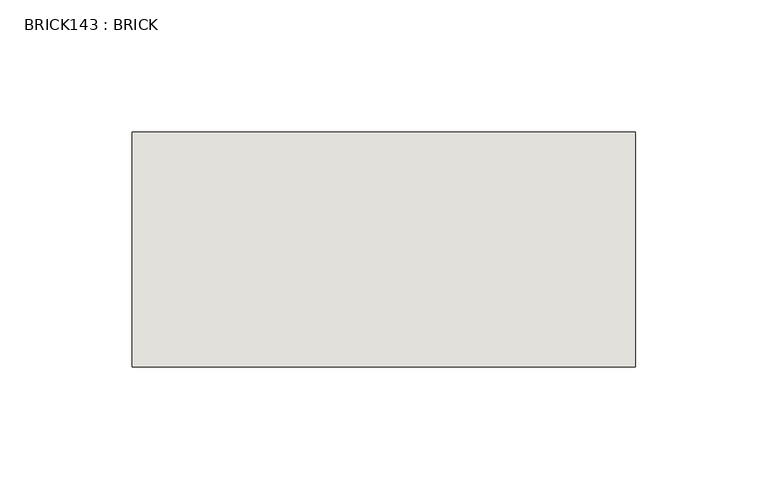
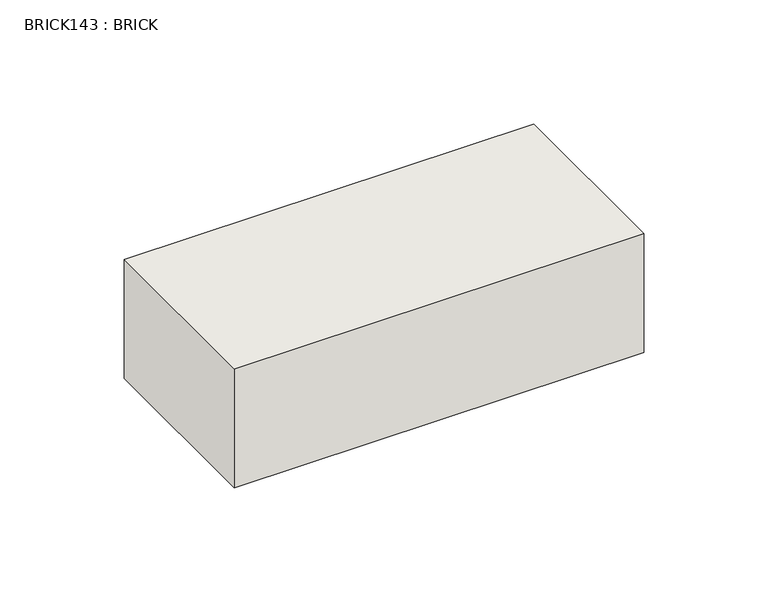
"""IFC4 building model written with IfcOpenShell, lengths in millimetres: wall geometry, BRICK143 : BRICK."""

import ifcopenshell
import ifcopenshell.guid

model = None  # the IFC model being written
_history = None  # IfcOwnerHistory: only IFC2X3 demands one
_inside = {}  # id of a spatial element -> (the spatial element, [elements in it])
_under = {}  # id of a project, library or spatial element -> (it, [spatial elements below it])
_declared = {}  # id of a project -> (the project, [libraries it declares])
_typed = {}  # id of a type object -> (the type object, [elements of that type])
_made_of = {}  # id of a material, layer set ... -> (it, [elements and type objects made of it])


def new_model(schema):
    """Start an empty IFC model of exactly this schema.

    Asked for "IFC4X3", IfcOpenShell would pick the latest addendum, in which some entities
    have other attributes; the version numbers below select the first issue.
    IFC2X3 requires an IfcOwnerHistory on every rooted entity: one is made here for all.
    """
    global model, _history
    if schema == "IFC4X3":
        model = ifcopenshell.file(schema_version=(4, 3, 0, 0))
    else:
        model = ifcopenshell.file(schema=schema)
    _inside.clear()
    _under.clear()
    _declared.clear()
    _typed.clear()
    _made_of.clear()
    _history = None
    if model.schema == "IFC2X3":
        org = make("IfcOrganization", Name="unknown")
        user = make(
            "IfcPersonAndOrganization",
            ThePerson=make("IfcPerson", FamilyName="unknown"),
            TheOrganization=org,
        )
        app = make(
            "IfcApplication",
            ApplicationDeveloper=org,
            Version="unknown",
            ApplicationFullName="unknown",
            ApplicationIdentifier="unknown",
        )
        _history = make(
            "IfcOwnerHistory",
            OwningUser=user,
            OwningApplication=app,
            ChangeAction="ADDED",
            CreationDate=0,
        )
    return model


def make(cls, **values):
    """One entity of the class cls with the attributes given. An attribute that is None is left unset."""
    return model.create_entity(
        cls, **{name: value for name, value in values.items() if value is not None}
    )


def rooted(cls, **values):
    """An entity with a GlobalId (a new one), such as an element, a storey or a relation."""
    return make(cls, GlobalId=ifcopenshell.guid.new(), OwnerHistory=_history, **values)


def si_unit(unit_type, name, prefix=None):
    """IfcSIUnit, for example si_unit("LENGTHUNIT", "METRE", prefix="MILLI")."""
    return make("IfcSIUnit", UnitType=unit_type, Prefix=prefix, Name=name)


def assignment(units):
    """IfcUnitAssignment: the units of a project."""
    return None if units is None else make("IfcUnitAssignment", Units=units)


def point(xyz):
    """IfcCartesianPoint."""
    return None if xyz is None else make("IfcCartesianPoint", Coordinates=xyz)


def direction(xyz):
    """IfcDirection."""
    return None if xyz is None else make("IfcDirection", DirectionRatios=xyz)


def frame(location, z_axis=None, x_axis=None):
    """IfcAxis2Placement3D, a coordinate frame: its origin and axes. An axis left out is left unset."""
    return make(
        "IfcAxis2Placement3D",
        Location=point(location),
        Axis=direction(z_axis),
        RefDirection=direction(x_axis),
    )


def origin():
    """The frame at (0, 0, 0) with its axes left unset."""
    return frame((0.0, 0.0, 0.0))


def place(relative_to, where):
    """IfcLocalPlacement: puts the frame where relative to a parent placement (None: the world)."""
    return make(
        "IfcLocalPlacement", PlacementRelTo=relative_to, RelativePlacement=where
    )


def context(
    kind, dimensions, precision=None, world=None, true_north=None, identifier=None
):
    """IfcGeometricRepresentationContext, for example the 3D "Model" context."""
    return make(
        "IfcGeometricRepresentationContext",
        ContextIdentifier=identifier,
        ContextType=kind,
        CoordinateSpaceDimension=dimensions,
        Precision=precision,
        WorldCoordinateSystem=world,
        TrueNorth=true_north,
    )


def project(units=None, contexts=None):
    """IfcProject with its units and contexts."""
    return rooted(
        "IfcProject",
        Name="project",
        RepresentationContexts=contexts,
        UnitsInContext=assignment(units),
    )


def spatial(cls, under=None, at=None, **own):
    """A site, building, storey or space (cls), placed at a placement, below another one or the project."""
    s = rooted(cls, ObjectPlacement=at, **own)
    if under is not None:
        _under.setdefault(under.id(), (under, []))[1].append(s)
    return s


def polyline(points):
    """IfcPolyline through the points."""
    return make("IfcPolyline", Points=[point(p) for p in points])


def outline(outer, holes=None, kind="AREA"):
    """IfcArbitraryClosedProfileDef: a profile drawn as a closed curve; with holes, ...WithVoids."""
    if holes is None:
        return make("IfcArbitraryClosedProfileDef", ProfileType=kind, OuterCurve=outer)
    return make(
        "IfcArbitraryProfileDefWithVoids",
        ProfileType=kind,
        OuterCurve=outer,
        InnerCurves=holes,
    )


def extrude(swept, where, along, depth):
    """IfcExtrudedAreaSolid: the profile swept, set in the frame where, extruded along a direction by depth."""
    return make(
        "IfcExtrudedAreaSolid",
        SweptArea=swept,
        Position=where,
        ExtrudedDirection=direction(along),
        Depth=depth,
    )


def shape(context_of_items, identifier, shape_type, items):
    """IfcShapeRepresentation: the items that make up one representation, for example the "Body"."""
    return make(
        "IfcShapeRepresentation",
        ContextOfItems=context_of_items,
        RepresentationIdentifier=identifier,
        RepresentationType=shape_type,
        Items=items,
    )


def source(mapping_origin, context_of_items, identifier, shape_type, items):
    """IfcRepresentationMap: a shape defined once, which mapped items show again and again."""
    return make(
        "IfcRepresentationMap",
        MappingOrigin=mapping_origin,
        MappedRepresentation=shape(context_of_items, identifier, shape_type, items),
    )


def transform(
    local_origin,
    x_axis=None,
    y_axis=None,
    z_axis=None,
    scale=None,
    scale2=None,
    scale3=None,
    uniform=True,
):
    """IfcCartesianTransformationOperator3D, or its non-uniform kind. x_axis, y_axis, z_axis: its Axis1, 2, 3."""
    if uniform:
        return make(
            "IfcCartesianTransformationOperator3D",
            Axis1=direction(x_axis),
            Axis2=direction(y_axis),
            LocalOrigin=point(local_origin),
            Scale=scale,
            Axis3=direction(z_axis),
        )
    return make(
        "IfcCartesianTransformationOperator3DnonUniform",
        Axis1=direction(x_axis),
        Axis2=direction(y_axis),
        LocalOrigin=point(local_origin),
        Scale=scale,
        Axis3=direction(z_axis),
        Scale2=scale2,
        Scale3=scale3,
    )


def mapped(mapping_source, mapping_target):
    """IfcMappedItem: shows the shape of a source again, moved by a transform."""
    return make(
        "IfcMappedItem", MappingSource=mapping_source, MappingTarget=mapping_target
    )


def made_of(thing, what):
    """Note that an element or type object is made of a material, layer set ...; save() writes the relation."""
    if what is not None:
        _made_of.setdefault(what.id(), (what, []))[1].append(thing)
    return thing


def element(
    cls,
    number,
    at=None,
    inside=None,
    cuts=None,
    type_object=None,
    material=None,
    context=None,
    identifier="Body",
    shape_type=None,
    held_by="IfcProductDefinitionShape",
    body=None,
    shapes=None,
    **own,
):
    """One element of the class cls, such as IfcWall. Its Tag is "e" and its number.

    at: its placement. inside: the storey or other place that contains it. cuts: it is an
    opening in that element (IfcRelVoidsElement). A single representation is given by context,
    identifier, shape_type and body (its items); several are given by shapes. held_by: the class
    of the entity that holds the representations. save() writes the other relations.
    """
    e = rooted(cls, Tag="e%d" % number, ObjectPlacement=at, **own)
    if body is not None:
        shapes = [shape(context, identifier, shape_type, body)]
    if shapes is not None:
        e.Representation = make(held_by, Representations=shapes)
    if inside is not None:
        _inside.setdefault(inside.id(), (inside, []))[1].append(e)
    if cuts is not None:
        rooted(
            "IfcRelVoidsElement", RelatingBuildingElement=cuts, RelatedOpeningElement=e
        )
    if type_object is not None:
        _typed.setdefault(type_object.id(), (type_object, []))[1].append(e)
    return made_of(e, material)


def aggregate(whole, parts):
    """IfcRelAggregates: a whole, such as a stair, and the parts it consists of."""
    return rooted("IfcRelAggregates", RelatingObject=whole, RelatedObjects=parts)


def save(model, path):
    """Write the relations noted so far, then the file.

    IfcRelAggregates (storeys below a building ...), IfcRelContainedInSpatialStructure (elements
    in a storey), IfcRelDefinesByType, IfcRelAssociatesMaterial and IfcRelDeclares: one each for
    every whole, place, type object, material and project.
    """
    for whole, parts in _under.values():
        aggregate(whole, parts)
    for where, things in _inside.values():
        rooted(
            "IfcRelContainedInSpatialStructure",
            RelatedElements=things,
            RelatingStructure=where,
        )
    for kind, things in _typed.values():
        rooted("IfcRelDefinesByType", RelatedObjects=things, RelatingType=kind)
    for what, things in _made_of.values():
        rooted("IfcRelAssociatesMaterial", RelatedObjects=things, RelatingMaterial=what)
    for by, libraries in _declared.values():
        rooted("IfcRelDeclares", RelatingContext=by, RelatedDefinitions=libraries)
    model.write(path)


def brick143_brick_ad65180a(model_context):
    return source(origin(), model_context, "Body", "SweptSolid", [
        extrude(outline(polyline([(22.0530711, 2586.2274125), (212.5530711, 2586.2274125), (212.5530711, 2497.3274125), (22.0530711, 2497.3274125), (22.0530711, 2586.2274125)])), frame((0.0, 0.0, 353.7148438), z_axis=(0.0, 0.0, 1.0), x_axis=(1.0, 0.0, 0.0)), (0.0, 0.0, 1.0), 58.4398438),
    ])


if __name__ == "__main__":
    model = new_model("IFC4")
    model_context = context("Model", 3, world=origin())
    ifc_project = project(units=[si_unit("LENGTHUNIT", "METRE", prefix="MILLI")], contexts=[model_context])
    site = spatial("IfcSite", under=ifc_project)
    building = spatial("IfcBuilding", under=site)
    placement = place(None, origin())
    brick143_brick_shape = brick143_brick_ad65180a(model_context)
    element("IfcWall", 1, ObjectType="BRICK143 : BRICK", at=placement, inside=building, context=model_context, shape_type="MappedRepresentation", body=[
        mapped(brick143_brick_shape, transform((0.0, 0.0, 0.0), x_axis=(1.0, 0.0, 0.0), y_axis=(0.0, 1.0, 0.0), z_axis=(0.0, 0.0, 1.0))),
    ])
    save(model, "model.ifc")
